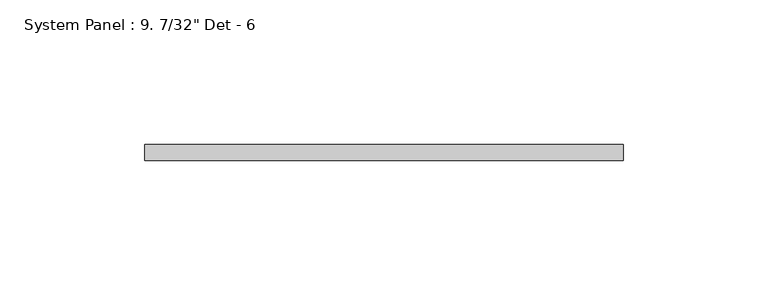
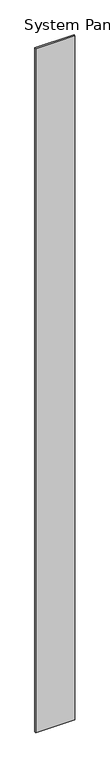
"""IFC4 building model written with IfcOpenShell, lengths in millimetres: plate geometry."""

from ifc_helpers import new_model, si_unit, origin, origin_with_axes, place, context, project, spatial, polyline, outline, extrude, source, transform, mapped, element, save


def plate_bd0869fa(model_context):
    return source(origin(), model_context, "Body", "SweptSolid", [
        extrude(outline(polyline([(82.55, 0.0), (-82.55, 0.0), (-82.55, 5.55625), (82.55, 5.55625), (82.55, 0.0)])), origin_with_axes(), (0.0, 0.0, 1.0), 3048.0),
    ])


if __name__ == "__main__":
    model = new_model("IFC4")
    model_context = context("Model", 3, world=origin())
    ifc_project = project(units=[si_unit("LENGTHUNIT", "METRE", prefix="MILLI")], contexts=[model_context])
    site = spatial("IfcSite", under=ifc_project)
    building = spatial("IfcBuilding", under=site)
    placement = place(None, origin())
    plate_shape = plate_bd0869fa(model_context)
    element("IfcPlate", 1, ObjectType="System Panel : 9. 7/32\" Det - 6", at=placement, inside=building, context=model_context, shape_type="MappedRepresentation", body=[
        mapped(plate_shape, transform((0.0, 0.0, 0.0), x_axis=(1.0, 0.0, 0.0), y_axis=(0.0, 1.0, 0.0), z_axis=(0.0, 0.0, 1.0))),
    ])
    save(model, "model.ifc")
